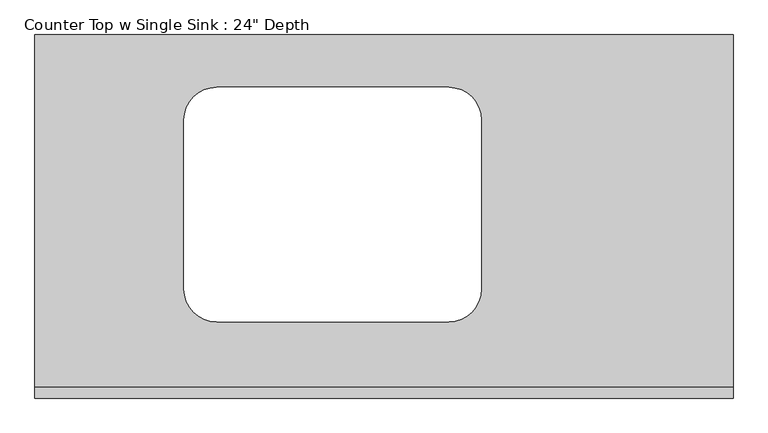
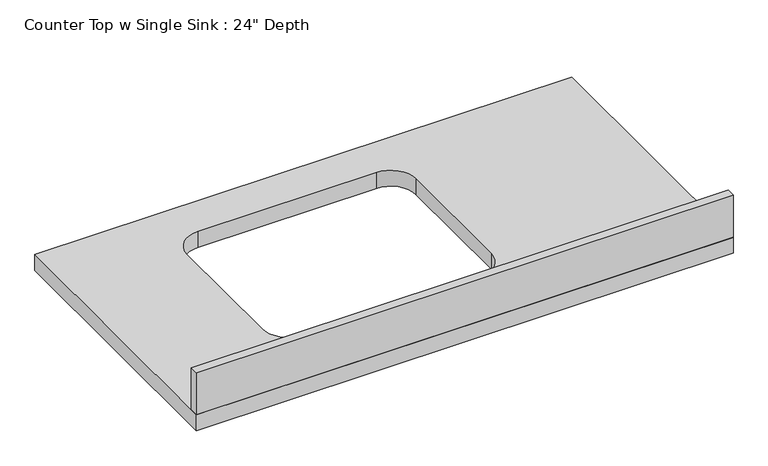
"""IFC4 building model written with IfcOpenShell, lengths in millimetres: furniture geometry."""

from ifc_helpers import new_model, si_unit, point, frame, frame_2d, origin, place, context, project, spatial, polyline, circle_curve, trimmed, segment, composite_curve, outline, extrude, source, transform, mapped, element, save


def furniture_6aa16d39(model_context):
    return source(origin(), model_context, "Body", "SweptSolid", [
        extrude(outline(polyline([(18.7377049, 0.0), (-1200.4622951, 0.0), (-1200.4622951, 635.0), (18.7377049, 635.0), (18.7377049, 0.0)]), holes=[composite_curve([segment(polyline([(-940.1122951, 486.2327941), (-940.1122951, 190.5)]), True, "CONTINUOUS"), segment(trimmed(circle_curve(frame_2d((-882.9622951, 190.5)), 57.15), [point((-940.1122951, 190.5))], [point((-882.9622951, 133.35))], True, "CARTESIAN"), True, "CONTINUOUS"), segment(polyline([(-882.9622951, 133.35), (-478.0597587, 133.35)]), True, "CONTINUOUS"), segment(trimmed(circle_curve(frame_2d((-478.0597587, 190.5)), 57.15), [point((-478.0597587, 133.35))], [point((-420.9097587, 190.5))], True, "CARTESIAN"), True, "CONTINUOUS"), segment(polyline([(-420.9097587, 190.5), (-420.9097587, 486.2327941)]), True, "CONTINUOUS"), segment(trimmed(circle_curve(frame_2d((-478.0597587, 486.2327941)), 57.15), [point((-420.9097587, 486.2327941))], [point((-478.0597587, 543.3827941))], True, "CARTESIAN"), True, "CONTINUOUS"), segment(polyline([(-478.0597587, 543.3827941), (-882.9622951, 543.3827941)]), True, "CONTINUOUS"), segment(trimmed(circle_curve(frame_2d((-882.9622951, 486.2327941)), 57.15), [point((-882.9622951, 543.3827941))], [point((-940.1122951, 486.2327941))], True, "CARTESIAN"), True, "CONTINUOUS")], self_intersect=False)]), frame((0.0, 0.0, 876.3), z_axis=(0.0, 0.0, 1.0), x_axis=(1.0, 0.0, 0.0)), (0.0, 0.0, 1.0), 38.1),
        extrude(outline(polyline([(-1200.4622951, 0.0), (-1200.4622951, 19.05), (18.7377049, 19.05), (18.7377049, 0.0), (-1200.4622951, 0.0)])), frame((0.0, 0.0, 914.4), z_axis=(0.0, 0.0, 1.0), x_axis=(1.0, 0.0, 0.0)), (0.0, 0.0, 1.0), 101.6),
    ])


if __name__ == "__main__":
    model = new_model("IFC4")
    model_context = context("Model", 3, world=origin())
    ifc_project = project(units=[si_unit("LENGTHUNIT", "METRE", prefix="MILLI")], contexts=[model_context])
    site = spatial("IfcSite", under=ifc_project)
    building = spatial("IfcBuilding", under=site)
    placement = place(None, origin())
    furniture_shape = furniture_6aa16d39(model_context)
    element("IfcFurniture", 1, ObjectType="Counter Top w Single Sink : 24\" Depth", at=placement, inside=building, context=model_context, shape_type="MappedRepresentation", body=[
        mapped(furniture_shape, transform((0.0, 0.0, 0.0), x_axis=(1.0, 0.0, 0.0), y_axis=(0.0, 1.0, 0.0), z_axis=(0.0, 0.0, 1.0))),
    ])
    save(model, "model.ifc")
